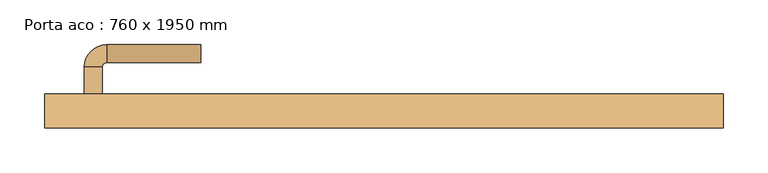
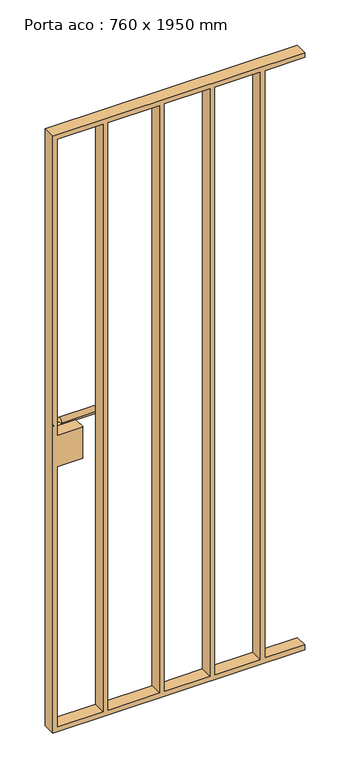
"""IFC4 building model written with IfcOpenShell, lengths in millimetres: door geometry, Porta aco : 760 x 1950 mm."""

from ifc_helpers import new_model, si_unit, point, frame, origin, place, context, project, spatial, polyline, circle_curve, ellipse_curve, trimmed, outline, extrude, source, transform, mapped, element, save
from ifc_brep_helpers import plane_surface, cylinder_surface, revolved_surface, advanced_brep


def porta_aco_760_x_1950_mm_0942b860(model_context):
    return source(origin(), model_context, "Body", "SolidModel", [
        advanced_brep(
        [(-333.0, 135.0, 950.0), (-313.0, 135.0, 950.0), (-333.0, 165.0, 950.0), (-313.0, 165.0, 950.0), (-308.0, 170.0, 950.0), (-308.0, 190.0, 950.0), (-203.0, 190.0, 950.0), (-203.0, 170.0, 950.0)],
        [
            (0, 1, circle_curve(frame((-323.0, 135.0, 950.0), z_axis=(0.0, -1.0, 0.0), x_axis=(1.0, 0.0, 0.0)), 10.0)),
            (1, 0, circle_curve(frame((-323.0, 135.0, 950.0), z_axis=(0.0, -1.0, 0.0), x_axis=(1.0, 0.0, 0.0)), 10.0)),
            (0, 2),
            (2, 3, circle_curve(frame((-323.0, 165.0, 950.0), z_axis=(0.0, -1.0, 0.0), x_axis=(1.0, 0.0, 0.0)), 10.0)),
            (3, 1),
            (3, 2, circle_curve(frame((-323.0, 165.0, 950.0), z_axis=(0.0, -1.0, 0.0), x_axis=(1.0, 0.0, 0.0)), 10.0)),
            (4, 3, circle_curve(frame((-308.0, 165.0, 950.0), z_axis=(0.0, 0.0, 1.0), x_axis=(-1.0, 0.0, 0.0)), 5.0)),
            (2, 5, circle_curve(frame((-308.0, 165.0, 950.0), z_axis=(0.0, 0.0, -1.0), x_axis=(-1.0, 0.0, 0.0)), 25.0)),
            (5, 4, circle_curve(frame((-308.0, 180.0, 950.0), z_axis=(-1.0, 0.0, 0.0), x_axis=(0.0, -1.0, 0.0)), 10.0)),
            (4, 5, circle_curve(frame((-308.0, 180.0, 950.0), z_axis=(-1.0, 0.0, 0.0), x_axis=(0.0, -1.0, 0.0)), 10.0)),
            (6, 7, circle_curve(frame((-203.0, 180.0, 950.0), z_axis=(1.0, 0.0, 0.0), x_axis=(0.0, -1.0, 0.0)), 10.0)),
            (7, 6, circle_curve(frame((-203.0, 180.0, 950.0), z_axis=(1.0, 0.0, 0.0), x_axis=(0.0, -1.0, 0.0)), 10.0)),
            (5, 6),
            (7, 4),
        ],
        [
            plane_surface(frame((-323.0, 135.0, 950.0), z_axis=(0.0, -1.0, 0.0), x_axis=(0.0, 0.0, 1.0))),
            cylinder_surface(frame((-323.0, 135.0, 950.0), z_axis=(0.0, -1.0, 0.0), x_axis=(1.0, 0.0, 0.0)), 10.0),
            revolved_surface(trimmed(ellipse_curve(frame((-323.0, 165.0, 950.0), z_axis=(0.0, -1.0, 0.0), x_axis=(1.0, 0.0, 0.0)), 10.0, 10.0), [point((-333.0, 165.0, 950.0))], [point((-313.0, 165.0, 950.0))], True, "CARTESIAN"), (-308.0, 165.0, 950.0), (0.0, 0.0, -1.0)),
            revolved_surface(trimmed(ellipse_curve(frame((-323.0, 165.0, 950.0), z_axis=(0.0, -1.0, 0.0), x_axis=(1.0, 0.0, 0.0)), 10.0, 10.0), [point((-313.0, 165.0, 950.0))], [point((-333.0, 165.0, 950.0))], True, "CARTESIAN"), (-308.0, 165.0, 950.0), (0.0, 0.0, -1.0)),
            plane_surface(frame((-203.0, 180.0, 950.0), z_axis=(1.0, 0.0, 0.0), x_axis=(0.0, 0.0, 1.0))),
            cylinder_surface(frame((-308.0, 180.0, 950.0), z_axis=(-1.0, 0.0, 0.0), x_axis=(0.0, -1.0, 0.0)), 10.0),
        ],
        [
            (0, [[1, 2]]),
            (1, [[-1, 3, 4, 5]]),
            (1, [[-2, -5, 6, -3]]),
            (2, [[7, -4, 8, 9]]),
            (3, [[-8, -6, -7, 10]]),
            (4, [[11, 12]]),
            (5, [[-9, 13, -12, 14]]),
            (5, [[-10, -14, -11, -13]]),
        ],
    ),
        extrude(outline(polyline([(1928.0, -377.0), (35.0, -377.0), (35.0, 380.0), (50.0, 380.0), (50.0, 261.0), (1913.0, 261.0), (1913.0, 380.0), (1928.0, 380.0), (1928.0, -377.0)]), holes=[polyline([(50.0, -362.0), (874.0, -362.0), (874.0, -285.754), (974.0, -285.754), (974.0, -362.0), (1913.0, -362.0), (1913.0, -226.0), (50.0, -226.0), (50.0, -362.0)]), polyline([(50.0, -211.0), (1913.0, -211.0), (1913.0, -56.0), (50.0, -56.0), (50.0, -211.0)]), polyline([(50.0, -41.0), (1913.0, -41.0), (1913.0, 95.0), (50.0, 95.0), (50.0, -41.0)]), polyline([(50.0, 110.0), (1913.0, 110.0), (1913.0, 246.0), (50.0, 246.0), (50.0, 110.0)])]), frame((0.0, 97.0, 0.0), z_axis=(0.0, 1.0, 0.0), x_axis=(0.0, 0.0, 1.0)), (0.0, 0.0, 1.0), 38.0),
    ])


if __name__ == "__main__":
    model = new_model("IFC4")
    model_context = context("Model", 3, world=origin())
    ifc_project = project(units=[si_unit("LENGTHUNIT", "METRE", prefix="MILLI")], contexts=[model_context])
    site = spatial("IfcSite", under=ifc_project)
    building = spatial("IfcBuilding", under=site)
    placement = place(None, origin())
    porta_aco_760_x_1950_mm_shape = porta_aco_760_x_1950_mm_0942b860(model_context)
    element("IfcDoor", 1, ObjectType="Porta aco : 760 x 1950 mm", at=placement, inside=building, context=model_context, shape_type="MappedRepresentation", body=[
        mapped(porta_aco_760_x_1950_mm_shape, transform((0.0, 0.0, 0.0), x_axis=(1.0, 0.0, 0.0), y_axis=(0.0, 1.0, 0.0), z_axis=(0.0, 0.0, 1.0))),
    ])
    save(model, "model.ifc")
